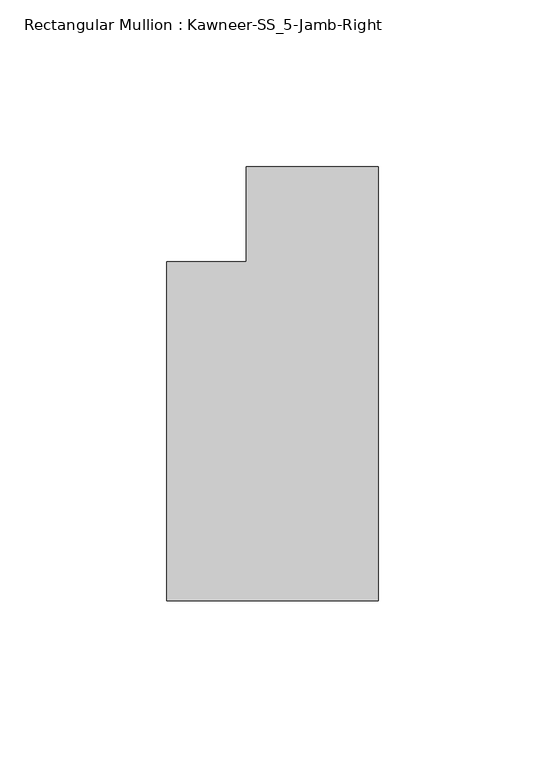
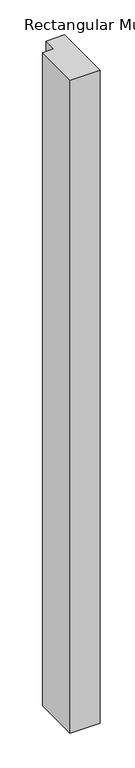
"""IFC4 building model written with IfcOpenShell, lengths in millimetres: member geometry, Rectangular Mullion : Kawneer-SS_5-Jamb-Right."""

from ifc_helpers import new_model, si_unit, frame, origin, place, context, project, spatial, polyline, outline, extrude, source, transform, mapped, element, save


def rectangular_mullion_kawneer_ss_5_jamb_right_70c9d5b4(model_context):
    return source(origin(), model_context, "Body", "SweptSolid", [
        extrude(outline(polyline([(-63.5, -115.8875), (-63.5, -14.2875), (-39.6875, -14.2875), (-39.6875, 14.2875), (0.0, 14.2875), (0.0, -115.8875), (-63.5, -115.8875)])), frame((0.0, 0.0, -1460.5), z_axis=(0.0, 0.0, 1.0), x_axis=(1.0, 0.0, 0.0)), (0.0, 0.0, 1.0), 1460.5),
    ])


if __name__ == "__main__":
    model = new_model("IFC4")
    model_context = context("Model", 3, world=origin())
    ifc_project = project(units=[si_unit("LENGTHUNIT", "METRE", prefix="MILLI")], contexts=[model_context])
    site = spatial("IfcSite", under=ifc_project)
    building = spatial("IfcBuilding", under=site)
    placement = place(None, origin())
    rectangular_mullion_kawneer_ss_5_jamb_right_shape = rectangular_mullion_kawneer_ss_5_jamb_right_70c9d5b4(model_context)
    element("IfcMember", 1, ObjectType="Rectangular Mullion : Kawneer-SS_5-Jamb-Right", at=placement, inside=building, context=model_context, shape_type="MappedRepresentation", body=[
        mapped(rectangular_mullion_kawneer_ss_5_jamb_right_shape, transform((0.0, 0.0, 0.0), x_axis=(1.0, 0.0, 0.0), y_axis=(0.0, 1.0, 0.0), z_axis=(0.0, 0.0, 1.0))),
    ])
    save(model, "model.ifc")
